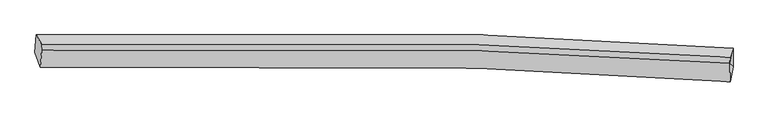
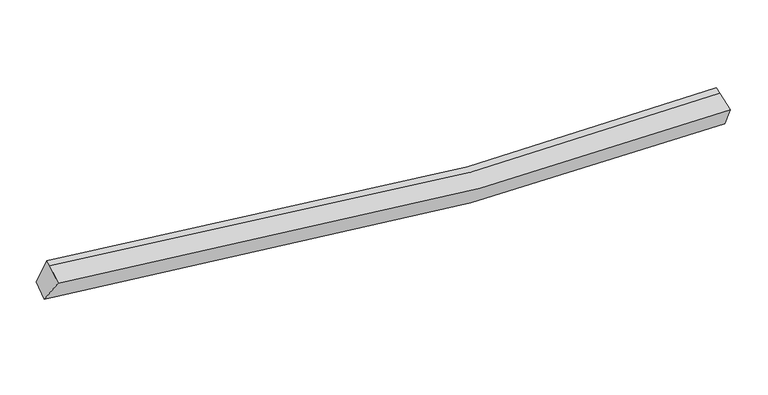
"""IFC4 building model written with IfcOpenShell, lengths in millimetres: proxy geometry."""

from ifc_helpers import new_model, si_unit, frame, origin, place, context, project, spatial, source, transform, mapped, element, save
from ifc_brep_helpers import plane_surface, spline_curve, spline_surface, advanced_brep


def generic_models_39366424(model_context):
    return source(origin(), model_context, "Body", "AdvancedBrep", [
        advanced_brep(
        [(-8665.8863752, -1993.5073801, 3361.0275793), (-8638.4337829, -1583.6722004, 3555.2670071), (7996.8489778, -1895.9395908, 2526.2006493), (7998.6152765, -2337.3243198, 2332.1666839), (-8535.5480074, -2351.2142987, 3948.4436756), (7931.8716414, -2702.3059659, 2949.2028945), (-8505.2487469, -1948.0888725, 4155.6728992), (7919.90791, -2263.817394, 3115.0520686), (-8499.7377899, -1811.0136131, 4202.6303545), (7925.988966, -2112.5619353, 3166.8671918)],
        [
            (0, 1),
            (1, 2, spline_curve(3, [(-8638.4337829, -1583.6722004, 3555.2670071), (-5132.406799066, -1467.607668886, 2814.780152649), (-1615.982770013, -1467.271851944, 2406.256586618), (3936.080085971, -1648.927967842, 2285.732330947), (5964.750311214, -1753.352915455, 2351.233778573), (7996.8489778, -1895.9395908, 2526.2006493)], [4, 2, 4], [0.0, 34.86836554710953, 54.89117627324809])),
            (2, 3),
            (3, 0, spline_curve(3, [(7998.6152765, -2337.3243198, 2332.1666839), (5958.695527848, -2194.79421824, 2190.424918441), (3923.761191519, -2089.005888924, 2146.019847473), (-1641.205970714, -1899.719438438, 2291.128296598), (-5161.105518177, -1890.902121372, 2678.487000567), (-8665.8863752, -1993.5073801, 3361.0275793)], [4, 2, 4], [0.0, 20.02281072613856, 54.89117627324809])),
            (4, 0),
            (3, 5),
            (5, 4, spline_curve(3, [(7931.8716414, -2702.3059659, 2949.2028945), (5916.735073919, -2556.427529922, 2801.486390217), (3906.284881356, -2448.189591343, 2751.972259405), (-1592.380459721, -2254.651496236, 2885.447771622), (-5071.07014873, -2245.85887947, 3268.042162051), (-8535.5480074, -2351.2142987, 3948.4436756)], [4, 2, 4], [0.0, 19.917008023964435, 54.60112534809781])),
            (6, 4),
            (5, 7),
            (7, 6, spline_curve(3, [(7919.90791, -2263.817394, 3115.0520686), (5917.209006204, -2129.688130778, 2966.190930422), (3916.534048345, -2030.482049414, 2917.785029771), (-1562.632014098, -1854.254845333, 3060.474752003), (-5037.009275128, -1848.2180859, 3455.754262542), (-8505.2487469, -1948.0888725, 4155.6728992)], [4, 2, 4], [0.0, 19.775573731530244, 54.213392837249444])),
            (8, 6),
            (7, 9),
            (9, 8, spline_curve(3, [(7925.988966, -2112.5619353, 3166.8671918), (5923.230149102, -1979.922913877, 3017.49554631), (3922.491846488, -1882.292410872, 2968.549904412), (-1556.857275476, -1710.618487138, 3109.679822664), (-5031.361225302, -1707.732884115, 3503.879851748), (-8499.7377899, -1811.0136131, 4202.6303545)], [4, 2, 4], [0.0, 19.752050189661105, 54.148904644209466])),
            (1, 8),
            (9, 2),
            (7, 2),
            (3, 7),
        ],
        [
            spline_surface(3, 3, [[(-8665.8863752, -1993.5073801, 3361.0275793), (-5161.105518672, -1890.902121512, 2678.487000385), (-1641.205970958, -1899.719438579, 2291.128297175), (3923.761191659, -2089.005888843, 2146.019847142), (5958.69552779, -2194.794218357, 2190.424918517), (7998.6152765, -2337.3243198, 2332.1666839)], [(-8656.73551109, -1856.89565352, 3425.774055248), (-5151.539278651, -1749.803970515, 2723.918051206), (-1632.798237303, -1755.570242867, 2329.504393479), (3927.867489773, -1942.313248613, 2192.590675173), (5960.71378882, -2047.647117368, 2244.027871909), (7998.026510256, -2190.196076798, 2396.844672378)], [(-8647.58464701, -1720.28392698, 3490.520531152), (-5141.973038659, -1608.705819559, 2769.349101984), (-1624.390503676, -1611.42104714, 2367.880489792), (3931.973787861, -1795.620608369, 2239.161503215), (5962.732049882, -1900.500016386, 2297.630825267), (7997.437744044, -2043.067833802, 2461.522660822)], [(-8638.4337829, -1583.6722004, 3555.2670071), (-5132.406798638, -1467.607668562, 2814.780152804), (-1615.982770022, -1467.271851427, 2406.256586096), (3936.080085976, -1648.927968138, 2285.732331247), (5964.750310913, -1753.352915398, 2351.23377866), (7996.8489778, -1895.9395908, 2526.2006493)]], [4, 4], [4, 2, 4], [0.0, 1.4829498115887247], [0.0, 34.86836554710953, 54.89117627324809]),
            spline_surface(3, 3, [[(-8535.5480074, -2351.2142987, 3948.4436756), (-5071.070149063, -2245.858879625, 3268.042162148), (-1592.380459222, -2254.651496406, 2885.447771052), (3906.284881069, -2448.189591246, 2751.972259732), (5916.73507419, -2556.427530211, 2801.486390471), (7931.8716414, -2702.3059659, 2949.2028945)], [(-8578.994130018, -2231.978659172, 3752.638310147), (-5101.081938951, -2127.53996026, 3071.523774874), (-1608.655629789, -2136.340810442, 2687.34127978), (3912.110317944, -2328.461690424, 2549.988122222), (5930.72189208, -2435.88309293, 2597.799233155), (7954.11951979, -2580.645417204, 2743.524157635)], [(-8622.440252582, -2112.743019628, 3556.832944753), (-5131.093728785, -2009.221040878, 2875.005387659), (-1624.930800391, -2018.030124543, 2489.234788447), (3917.935754784, -2208.733789666, 2348.003984651), (5944.7087099, -2315.338655637, 2394.112075833), (7976.36739811, -2458.984868496, 2537.845420765)], [(-8665.8863752, -1993.5073801, 3361.0275793), (-5161.105518672, -1890.902121512, 2678.487000385), (-1641.205970958, -1899.719438579, 2291.128297175), (3923.761191659, -2089.005888843, 2146.019847142), (5958.69552779, -2194.794218357, 2190.424918517), (7998.6152765, -2337.3243198, 2332.1666839)]], [4, 4], [4, 2, 4], [0.0, 2.2845545192503995], [0.0, 34.684117324133375, 54.60112534809781]),
            spline_surface(3, 3, [[(-8505.2487469, -1948.0888725, 4155.6728992), (-5037.00927526, -1848.218086045, 3455.754262829), (-1562.632014167, -1854.254845263, 3060.474751834), (3916.534048384, -2030.482049454, 2917.785029869), (5917.209006299, -2129.688130751, 2966.190930632), (7919.90791, -2263.817394, 3115.0520686)], [(-8515.348500406, -2082.46401456, 4086.596491347), (-5048.362899867, -1980.765017232, 3393.183562616), (-1572.548162548, -1987.720395639, 3002.132424904), (3913.11765925, -2169.717896713, 2862.514106488), (5917.051028929, -2271.934597232, 2911.289417239), (7923.895820467, -2409.980251294, 3059.76901056)], [(-8525.448253894, -2216.83915664, 4017.520083453), (-5059.716524456, -2113.311948439, 3330.612862361), (-1582.464310841, -2121.18594603, 2943.790097981), (3909.701270204, -2308.953743987, 2807.243183113), (5916.893051559, -2414.18106373, 2856.387903865), (7927.883730933, -2556.143108606, 3004.48595254)], [(-8535.5480074, -2351.2142987, 3948.4436756), (-5071.070149063, -2245.858879625, 3268.042162148), (-1592.380459222, -2254.651496406, 2885.447771052), (3906.284881069, -2448.189591246, 2751.972259732), (5916.73507419, -2556.427530211, 2801.486390471), (7931.8716414, -2702.3059659, 2949.2028945)]], [4, 4], [4, 2, 4], [0.0, 1.4496251413575152], [0.0, 34.4378191057192, 54.213392837249444]),
            spline_surface(3, 3, [[(-8499.7377899, -1811.0136131, 4202.6303545), (-5031.361225329, -1707.732883654, 3503.879851944), (-1556.857275568, -1710.618487549, 3109.679822685), (3922.491846541, -1882.292410635, 2968.5499044), (5923.230148788, -1979.922914121, 3017.495546132), (7925.988966, -2112.5619353, 3166.8671918)], [(-8501.574775564, -1856.705366236, 4186.977869388), (-5033.243908636, -1754.561284453, 3487.837988893), (-1558.782188431, -1758.497273478, 3093.27813239), (3920.505913825, -1931.688956933, 2951.628279546), (5921.223101295, -2029.844652983, 3000.394007656), (7923.961947337, -2162.980421519, 3149.59548409)], [(-8503.411761236, -1902.397119364, 4171.325384312), (-5035.126591953, -1801.389685246, 3471.796125879), (-1560.707101304, -1806.376059334, 3076.876442128), (3918.5199811, -1981.085503157, 2934.706654723), (5919.216053792, -2079.766391889, 2983.292469109), (7921.934928663, -2213.398907781, 3132.32377631)], [(-8505.2487469, -1948.0888725, 4155.6728992), (-5037.00927526, -1848.218086045, 3455.754262829), (-1562.632014167, -1854.254845263, 3060.474751834), (3916.534048384, -2030.482049454, 2917.785029869), (5917.209006299, -2129.688130751, 2966.190930632), (7919.90791, -2263.817394, 3115.0520686)]], [4, 4], [4, 2, 4], [0.0, 0.5019974077983437], [0.0, 34.39685445454836, 54.148904644209466]),
            spline_surface(3, 3, [[(-8638.4337829, -1583.6722004, 3555.2670071), (-5132.406798638, -1467.607668562, 2814.780152804), (-1615.982770022, -1467.271851427, 2406.256586096), (3936.080085976, -1648.927968138, 2285.732331247), (5964.750310913, -1753.352915398, 2351.23377866), (7996.8489778, -1895.9395908, 2526.2006493)], [(-8592.201785222, -1659.452671312, 3771.05478957), (-5098.724940857, -1547.649406939, 3044.480052521), (-1596.274271865, -1548.387396799, 2640.730998287), (3931.550672836, -1726.716115635, 2513.33818896), (5950.910256855, -1828.876248323, 2573.321034453), (7973.22897385, -1968.147038984, 2739.756163436)], [(-8545.969787578, -1735.233142188, 3986.84257203), (-5065.04308311, -1627.691145278, 3274.179952227), (-1576.565773725, -1629.502942178, 2875.205410493), (3927.02125968, -1804.504263139, 2740.944046687), (5937.070202846, -1904.399581195, 2795.408290339), (7949.60896995, -2040.354487116, 2953.311677664)], [(-8499.7377899, -1811.0136131, 4202.6303545), (-5031.361225329, -1707.732883654, 3503.879851944), (-1556.857275568, -1710.618487549, 3109.679822685), (3922.491846541, -1882.292410635, 2968.5499044), (5923.230148788, -1979.922914121, 3017.495546132), (7925.988966, -2112.5619353, 3166.8671918)]], [4, 4], [4, 2, 4], [0.0, 2.415849402658361], [0.0, 34.62228641234123, 54.503788652641504]),
            plane_surface(frame((-8568.9709404, -1937.499273, 3844.6083031), z_axis=(-0.9794371725258741, -0.029016939243625084, 0.1996518026751903), x_axis=(-0.06041970122994687, -0.9019956591644053, -0.4274965386431265))),
            plane_surface(frame((7947.5819513, -2090.7729734, 2936.0399699), z_axis=(0.9938292754858149, -0.06955468156349195, 0.08640322598110449), x_axis=(0.11014081821253276, 0.526615543371187, -0.8429383545926378))),
            plane_surface(frame((7950.1316093, -2434.4825599, 2798.8072157), z_axis=(0.9948192146044234, -0.011079042265849045, 0.1010543669333982), x_axis=(0.02551132409443925, -0.9350280187790246, -0.3536548832422939))),
            plane_surface(frame((7971.7907214, -2165.6937682, 2657.8064673), z_axis=(0.9937236391390579, -0.041661040626917833, 0.10381563808073323), x_axis=(0.0995970563516731, -0.09301636873065333, -0.9906706725820872))),
        ],
        [
            (0, [[1, 2, 3, 4]]),
            (1, [[5, -4, 6, 7]]),
            (2, [[8, -7, 9, 10]]),
            (3, [[11, -10, 12, 13]]),
            (4, [[14, -13, 15, -2]]),
            (5, [[-1, -5, -8, -11, -14]]),
            (6, [[16, -15, -12]]),
            (7, [[-9, -6, 17]]),
            (8, [[-17, -3, -16]]),
        ],
    ),
    ])


if __name__ == "__main__":
    model = new_model("IFC4")
    model_context = context("Model", 3, world=origin())
    ifc_project = project(units=[si_unit("LENGTHUNIT", "METRE", prefix="MILLI")], contexts=[model_context])
    site = spatial("IfcSite", under=ifc_project)
    building = spatial("IfcBuilding", under=site)
    placement = place(None, origin())
    generic_models_shape = generic_models_39366424(model_context)
    element("IfcBuildingElementProxy", 1, Name="Generic Models", at=placement, inside=building, context=model_context, shape_type="MappedRepresentation", body=[
        mapped(generic_models_shape, transform((0.0, 0.0, 0.0), x_axis=(1.0, 0.0, 0.0), y_axis=(0.0, 1.0, 0.0), z_axis=(0.0, 0.0, 1.0))),
    ])
    save(model, "model.ifc")
